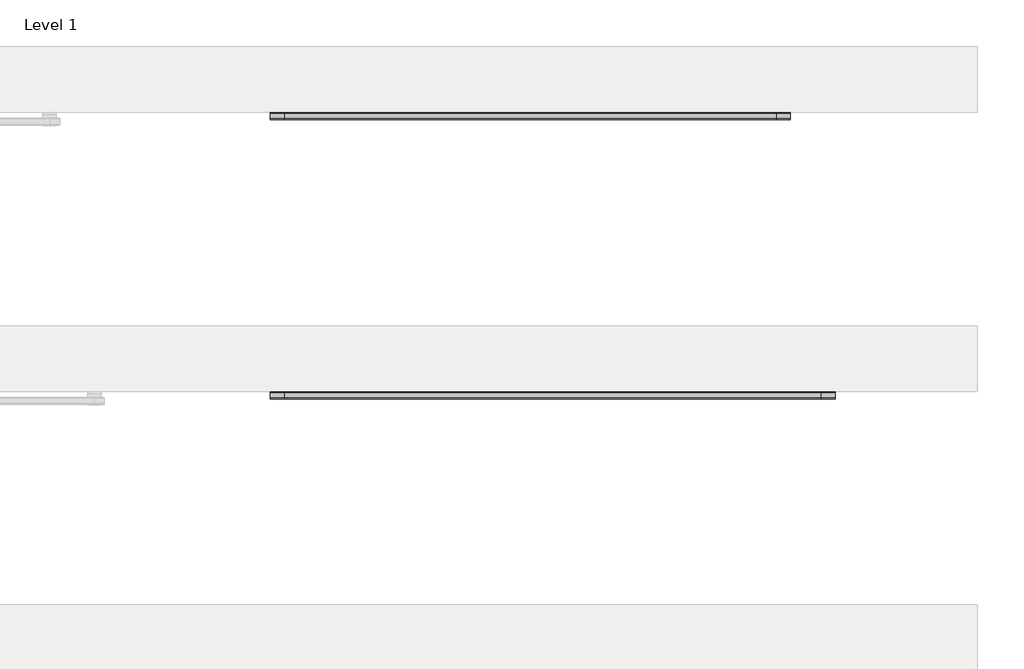
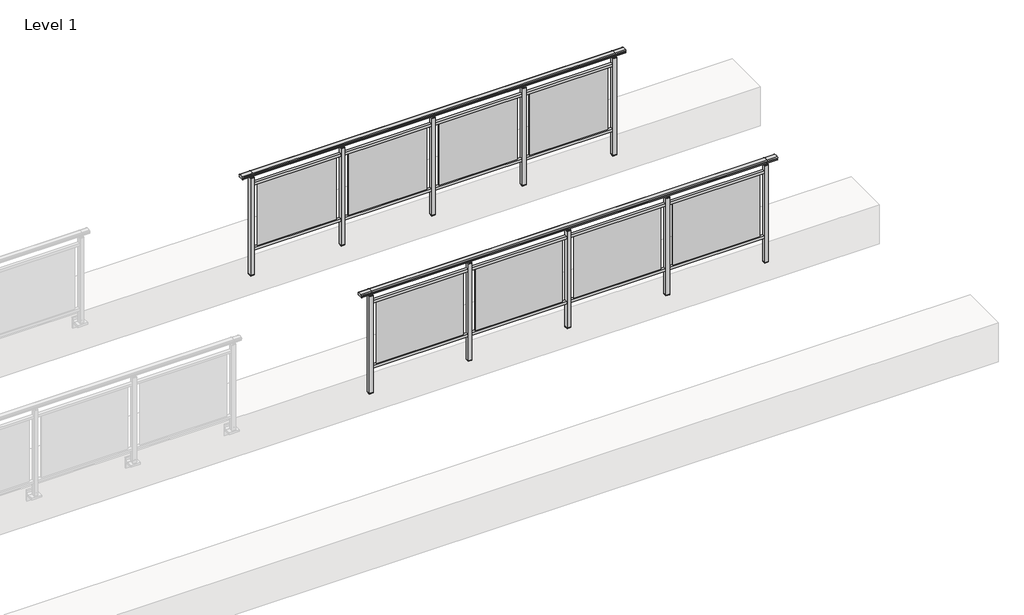
# One storey, part 43 of 64: 2 railings.
"""IFC4 building model written with IfcOpenShell, lengths in millimetres."""

from ifc_helpers import new_model, si_unit, frame, origin, place, context, project, spatial, polyline, circle_curve, outline, extrude, element, save
from ifc_brep_helpers import plane_surface, cylinder_surface, revolved_surface, advanced_brep

model = new_model("IFC4")

# Units and contexts
model_context = context("Model", 3, world=origin())
ifc_project = project(units=[si_unit("LENGTHUNIT", "METRE", prefix="MILLI")], contexts=[model_context])

# Site, building, storey
site = spatial("IfcSite", under=ifc_project)
building = spatial("IfcBuilding", under=site)
storey = spatial("IfcBuildingStorey", under=building, Name="Level 1", Elevation=0.0)

# Railings
placement = place(None, origin())
element("IfcRailing", 1, at=placement, inside=storey, context=model_context, shape_type="SolidModel", body=[
    advanced_brep(
    [(49372.5, 2392.8633756, 1095.6691182), (49372.5, 2397.6846828, 1081.1334092), (49372.5, 2396.7413744, 1069.2539035), (49372.5, 2398.6364177, 1061.4863007), (49372.5, 2396.9894799, 1060.384124), (49372.5, 2396.9894799, 1062.0), (49372.5, 2338.3798858, 1062.0), (49372.5, 2338.3798858, 1060.384124), (49372.5, 2336.732948, 1061.4863007), (49372.5, 2338.6279912, 1069.2539035), (49372.5, 2337.6846828, 1081.1334092), (49372.5, 2342.50599, 1095.6691182), (54427.5, 2392.8633756, 1095.6691182), (54427.5, 2342.50599, 1095.6691182), (54427.5, 2337.6846828, 1081.1334092), (54427.5, 2338.6279912, 1069.2539035), (54427.5, 2336.732948, 1061.4863007), (54427.5, 2338.3798858, 1060.384124), (54427.5, 2338.3798858, 1062.0), (54427.5, 2396.9894799, 1062.0), (54427.5, 2396.9894799, 1060.384124), (54427.5, 2398.6364177, 1061.4863007), (54427.5, 2396.7413744, 1069.2539035), (54427.5, 2397.6846828, 1081.1334092), (49500.0, 2392.8633756, 1095.6691182), (49500.0, 2397.6846828, 1081.1334092), (49500.0, 2396.7413744, 1069.2539035), (49500.0, 2398.6364177, 1061.4863007), (49500.0, 2396.9894799, 1060.384124), (49500.0, 2396.9894799, 1062.0), (49500.0, 2338.3798858, 1062.0), (49500.0, 2338.3798858, 1060.384124), (49500.0, 2336.732948, 1061.4863007), (49500.0, 2338.6279912, 1069.2539035), (49500.0, 2337.6846828, 1081.1334092), (49500.0, 2342.50599, 1095.6691182), (54300.0, 2392.8633756, 1095.6691182), (54300.0, 2397.6846828, 1081.1334092), (54300.0, 2396.7413744, 1069.2539035), (54300.0, 2398.6364177, 1061.4863007), (54300.0, 2396.9894799, 1060.384124), (54300.0, 2396.9894799, 1062.0), (54300.0, 2338.3798858, 1062.0), (54300.0, 2338.3798858, 1060.384124), (54300.0, 2336.732948, 1061.4863007), (54300.0, 2338.6279912, 1069.2539035), (54300.0, 2337.6846828, 1081.1334092), (54300.0, 2342.50599, 1095.6691182)],
    [
        (0, 1, circle_curve(frame((49372.5, 2389.6223845, 1086.526686), z_axis=(-1.0, 0.0, 0.0), x_axis=(0.0, -1.0, 0.0)), 9.6999015)),
        (1, 2, circle_curve(frame((49372.5, 2415.2252545, 1073.7633709), z_axis=(1.0, 0.0, 0.0), x_axis=(0.0, -1.0, 0.0)), 19.0260117)),
        (2, 3),
        (3, 4, circle_curve(frame((49372.5, 2397.7772073, 1060.9886194), z_axis=(-1.0, 0.0, 0.0), x_axis=(0.0, -1.0, 0.0)), 0.9929396)),
        (4, 5),
        (5, 6),
        (6, 7),
        (7, 8, circle_curve(frame((49372.5, 2337.5921584, 1060.9886194), z_axis=(-1.0, 0.0, 0.0), x_axis=(0.0, 1.0, 0.0)), 0.9929396)),
        (8, 9),
        (9, 10, circle_curve(frame((49372.5, 2320.1441111, 1073.7633709), z_axis=(1.0, 0.0, 0.0), x_axis=(0.0, 1.0, 0.0)), 19.0260117)),
        (10, 11, circle_curve(frame((49372.5, 2345.7469812, 1086.526686), z_axis=(-1.0, 0.0, 0.0), x_axis=(0.0, 1.0, 0.0)), 9.6999015)),
        (11, 0, circle_curve(frame((49372.5, 2367.6846828, 1024.6431628), z_axis=(-1.0, 0.0, 0.0), x_axis=(0.0, 1.0, 0.0)), 75.3568372)),
        (12, 13, circle_curve(frame((54427.5, 2367.6846828, 1024.6431628), z_axis=(1.0, 0.0, 0.0), x_axis=(0.0, 1.0, 0.0)), 75.3568372)),
        (13, 14, circle_curve(frame((54427.5, 2345.7469812, 1086.526686), z_axis=(1.0, 0.0, 0.0), x_axis=(0.0, 1.0, 0.0)), 9.6999015)),
        (14, 15, circle_curve(frame((54427.5, 2320.1441111, 1073.7633709), z_axis=(-1.0, 0.0, 0.0), x_axis=(0.0, 1.0, 0.0)), 19.0260117)),
        (15, 16),
        (16, 17, circle_curve(frame((54427.5, 2337.5921584, 1060.9886194), z_axis=(1.0, 0.0, 0.0), x_axis=(0.0, 1.0, 0.0)), 0.9929396)),
        (17, 18),
        (18, 19),
        (19, 20),
        (20, 21, circle_curve(frame((54427.5, 2397.7772073, 1060.9886194), z_axis=(1.0, 0.0, 0.0), x_axis=(0.0, -1.0, 0.0)), 0.9929396)),
        (21, 22),
        (22, 23, circle_curve(frame((54427.5, 2415.2252545, 1073.7633709), z_axis=(-1.0, 0.0, 0.0), x_axis=(0.0, -1.0, 0.0)), 19.0260117)),
        (23, 12, circle_curve(frame((54427.5, 2389.6223845, 1086.526686), z_axis=(1.0, 0.0, 0.0), x_axis=(0.0, -1.0, 0.0)), 9.6999015)),
        (0, 24),
        (24, 25, circle_curve(frame((49500.0, 2389.6223845, 1086.526686), z_axis=(-1.0, 0.0, 0.0), x_axis=(0.0, -1.0, 0.0)), 9.6999015)),
        (25, 1),
        (25, 26, circle_curve(frame((49500.0, 2415.2252545, 1073.7633709), z_axis=(1.0, 0.0, 0.0), x_axis=(0.0, -1.0, 0.0)), 19.0260117)),
        (26, 2),
        (26, 27),
        (27, 3),
        (27, 28, circle_curve(frame((49500.0, 2397.7772073, 1060.9886194), z_axis=(-1.0, 0.0, 0.0), x_axis=(0.0, -1.0, 0.0)), 0.9929396)),
        (28, 4),
        (28, 29),
        (29, 5),
        (29, 30),
        (30, 6),
        (30, 31),
        (31, 7),
        (31, 32, circle_curve(frame((49500.0, 2337.5921584, 1060.9886194), z_axis=(-1.0, 0.0, 0.0), x_axis=(0.0, 1.0, 0.0)), 0.9929396)),
        (32, 8),
        (32, 33),
        (33, 9),
        (33, 34, circle_curve(frame((49500.0, 2320.1441111, 1073.7633709), z_axis=(1.0, 0.0, 0.0), x_axis=(0.0, 1.0, 0.0)), 19.0260117)),
        (34, 10),
        (34, 35, circle_curve(frame((49500.0, 2345.7469812, 1086.526686), z_axis=(-1.0, 0.0, 0.0), x_axis=(0.0, 1.0, 0.0)), 9.6999015)),
        (35, 11),
        (35, 24, circle_curve(frame((49500.0, 2367.6846828, 1024.6431628), z_axis=(-1.0, 0.0, 0.0), x_axis=(0.0, 1.0, 0.0)), 75.3568372)),
        (24, 36),
        (36, 37, circle_curve(frame((54300.0, 2389.6223845, 1086.526686), z_axis=(-1.0, 0.0, 0.0), x_axis=(0.0, -1.0, 0.0)), 9.6999015)),
        (37, 25),
        (37, 38, circle_curve(frame((54300.0, 2415.2252545, 1073.7633709), z_axis=(1.0, 0.0, 0.0), x_axis=(0.0, -1.0, 0.0)), 19.0260117)),
        (38, 26),
        (38, 39),
        (39, 27),
        (39, 40, circle_curve(frame((54300.0, 2397.7772073, 1060.9886194), z_axis=(-1.0, 0.0, 0.0), x_axis=(0.0, -1.0, 0.0)), 0.9929396)),
        (40, 28),
        (40, 41),
        (41, 29),
        (41, 42),
        (42, 30),
        (42, 43),
        (43, 31),
        (43, 44, circle_curve(frame((54300.0, 2337.5921584, 1060.9886194), z_axis=(-1.0, 0.0, 0.0), x_axis=(0.0, 1.0, 0.0)), 0.9929396)),
        (44, 32),
        (44, 45),
        (45, 33),
        (45, 46, circle_curve(frame((54300.0, 2320.1441111, 1073.7633709), z_axis=(1.0, 0.0, 0.0), x_axis=(0.0, 1.0, 0.0)), 19.0260117)),
        (46, 34),
        (46, 47, circle_curve(frame((54300.0, 2345.7469812, 1086.526686), z_axis=(-1.0, 0.0, 0.0), x_axis=(0.0, 1.0, 0.0)), 9.6999015)),
        (47, 35),
        (47, 36, circle_curve(frame((54300.0, 2367.6846828, 1024.6431628), z_axis=(-1.0, 0.0, 0.0), x_axis=(0.0, 1.0, 0.0)), 75.3568372)),
        (36, 12),
        (23, 37),
        (22, 38),
        (21, 39),
        (20, 40),
        (19, 41),
        (18, 42),
        (17, 43),
        (16, 44),
        (15, 45),
        (14, 46),
        (13, 47),
    ],
    [
        plane_surface(frame((49372.5, 2367.6846828, 1100.0), z_axis=(-1.0, 0.0, 0.0), x_axis=(0.0, 1.0, 0.0))),
        plane_surface(frame((54427.5, 2367.6846828, 1100.0), z_axis=(1.0, 0.0, 0.0), x_axis=(0.0, 1.0, 0.0))),
        cylinder_surface(frame((49372.5, 2389.6223845, 1086.526686), z_axis=(-1.0, 0.0, 0.0), x_axis=(0.0, -1.0, 0.0)), 9.6999015),
        revolved_surface(polyline([(49500.0, 2396.1992428000003, 1073.7633709), (49372.5, 2396.1992428000003, 1073.7633709)]), (49372.5, 2415.2252545, 1073.7633709), (1.0, 0.0, 0.0)),
        plane_surface(frame((49372.5, 2396.7413744, 1069.2539035), z_axis=(0.0, 0.9715057689301543, 0.2370159086125439), x_axis=(1.0, 0.0, 0.0))),
        cylinder_surface(frame((49372.5, 2397.7772073, 1060.9886194), z_axis=(-1.0, 0.0, 0.0), x_axis=(0.0, -1.0, 0.0)), 0.9929396),
        plane_surface(frame((49372.5, 2396.9894799, 1060.384124), z_axis=(0.0, -1.0, 0.0), x_axis=(1.0, 0.0, 0.0))),
        plane_surface(frame((49372.5, 2396.9894799, 1062.0), z_axis=(0.0, 0.0, -1.0), x_axis=(1.0, 0.0, 0.0))),
        plane_surface(frame((49372.5, 2338.3798858, 1062.0), z_axis=(0.0, 1.0, 0.0), x_axis=(1.0, 0.0, 0.0))),
        cylinder_surface(frame((49372.5, 2337.5921584, 1060.9886194), z_axis=(-1.0, 0.0, 0.0), x_axis=(0.0, 1.0, 0.0)), 0.9929396),
        plane_surface(frame((49372.5, 2336.732948, 1061.4863007), z_axis=(0.0, -0.9715057689301543, 0.2370159086125439), x_axis=(1.0, 0.0, 0.0))),
        revolved_surface(polyline([(49500.0, 2339.1701227999997, 1073.7633709), (49372.5, 2339.1701227999997, 1073.7633709)]), (49372.5, 2320.1441111, 1073.7633709), (1.0, 0.0, 0.0)),
        cylinder_surface(frame((49372.5, 2345.7469812, 1086.526686), z_axis=(-1.0, 0.0, 0.0), x_axis=(0.0, 1.0, 0.0)), 9.6999015),
        cylinder_surface(frame((49372.5, 2367.6846828, 1024.6431628), z_axis=(-1.0, 0.0, 0.0), x_axis=(0.0, 1.0, 0.0)), 75.3568372),
        cylinder_surface(frame((49500.0, 2389.6223845, 1086.526686), z_axis=(-1.0, 0.0, 0.0), x_axis=(0.0, -1.0, 0.0)), 9.6999015),
        revolved_surface(polyline([(54300.0, 2396.1992428000003, 1073.7633709), (49500.0, 2396.1992428000003, 1073.7633709)]), (49500.0, 2415.2252545, 1073.7633709), (1.0, 0.0, 0.0)),
        plane_surface(frame((49500.0, 2396.7413744, 1069.2539035), z_axis=(0.0, 0.9715057689301543, 0.2370159086125439), x_axis=(1.0, 0.0, 0.0))),
        cylinder_surface(frame((49500.0, 2397.7772073, 1060.9886194), z_axis=(-1.0, 0.0, 0.0), x_axis=(0.0, -1.0, 0.0)), 0.9929396),
        plane_surface(frame((49500.0, 2396.9894799, 1060.384124), z_axis=(0.0, -1.0, 0.0), x_axis=(1.0, 0.0, 0.0))),
        plane_surface(frame((49500.0, 2396.9894799, 1062.0), z_axis=(0.0, 0.0, -1.0), x_axis=(1.0, 0.0, 0.0))),
        plane_surface(frame((49500.0, 2338.3798858, 1062.0), z_axis=(0.0, 1.0, 0.0), x_axis=(1.0, 0.0, 0.0))),
        cylinder_surface(frame((49500.0, 2337.5921584, 1060.9886194), z_axis=(-1.0, 0.0, 0.0), x_axis=(0.0, 1.0, 0.0)), 0.9929396),
        plane_surface(frame((49500.0, 2336.732948, 1061.4863007), z_axis=(0.0, -0.9715057689301543, 0.2370159086125439), x_axis=(1.0, 0.0, 0.0))),
        revolved_surface(polyline([(54300.0, 2339.1701227999997, 1073.7633709), (49500.0, 2339.1701227999997, 1073.7633709)]), (49500.0, 2320.1441111, 1073.7633709), (1.0, 0.0, 0.0)),
        cylinder_surface(frame((49500.0, 2345.7469812, 1086.526686), z_axis=(-1.0, 0.0, 0.0), x_axis=(0.0, 1.0, 0.0)), 9.6999015),
        cylinder_surface(frame((49500.0, 2367.6846828, 1024.6431628), z_axis=(-1.0, 0.0, 0.0), x_axis=(0.0, 1.0, 0.0)), 75.3568372),
        cylinder_surface(frame((54300.0, 2389.6223845, 1086.526686), z_axis=(-1.0, 0.0, 0.0), x_axis=(0.0, -1.0, 0.0)), 9.6999015),
        revolved_surface(polyline([(54427.5, 2396.1992428000003, 1073.7633709), (54300.0, 2396.1992428000003, 1073.7633709)]), (54300.0, 2415.2252545, 1073.7633709), (1.0, 0.0, 0.0)),
        plane_surface(frame((54300.0, 2396.7413744, 1069.2539035), z_axis=(0.0, 0.9715057689301543, 0.2370159086125439), x_axis=(1.0, 0.0, 0.0))),
        cylinder_surface(frame((54300.0, 2397.7772073, 1060.9886194), z_axis=(-1.0, 0.0, 0.0), x_axis=(0.0, -1.0, 0.0)), 0.9929396),
        plane_surface(frame((54300.0, 2396.9894799, 1060.384124), z_axis=(0.0, -1.0, 0.0), x_axis=(1.0, 0.0, 0.0))),
        plane_surface(frame((54300.0, 2396.9894799, 1062.0), z_axis=(0.0, 0.0, -1.0), x_axis=(1.0, 0.0, 0.0))),
        plane_surface(frame((54300.0, 2338.3798858, 1062.0), z_axis=(0.0, 1.0, 0.0), x_axis=(1.0, 0.0, 0.0))),
        cylinder_surface(frame((54300.0, 2337.5921584, 1060.9886194), z_axis=(-1.0, 0.0, 0.0), x_axis=(0.0, 1.0, 0.0)), 0.9929396),
        plane_surface(frame((54300.0, 2336.732948, 1061.4863007), z_axis=(0.0, -0.9715057689301543, 0.2370159086125439), x_axis=(1.0, 0.0, 0.0))),
        revolved_surface(polyline([(54427.5, 2339.1701227999997, 1073.7633709), (54300.0, 2339.1701227999997, 1073.7633709)]), (54300.0, 2320.1441111, 1073.7633709), (1.0, 0.0, 0.0)),
        cylinder_surface(frame((54300.0, 2345.7469812, 1086.526686), z_axis=(-1.0, 0.0, 0.0), x_axis=(0.0, 1.0, 0.0)), 9.6999015),
        cylinder_surface(frame((54300.0, 2367.6846828, 1024.6431628), z_axis=(-1.0, 0.0, 0.0), x_axis=(0.0, 1.0, 0.0)), 75.3568372),
    ],
    [
        (0, [[1, 2, 3, 4, 5, 6, 7, 8, 9, 10, 11, 12]]),
        (1, [[13, 14, 15, 16, 17, 18, 19, 20, 21, 22, 23, 24]]),
        (2, [[-1, 25, 26, 27]]),
        (3, [[-2, -27, 28, 29]]),
        (4, [[-3, -29, 30, 31]]),
        (5, [[-4, -31, 32, 33]]),
        (6, [[-5, -33, 34, 35]]),
        (7, [[-6, -35, 36, 37]]),
        (8, [[-7, -37, 38, 39]]),
        (9, [[-8, -39, 40, 41]]),
        (10, [[-9, -41, 42, 43]]),
        (11, [[-10, -43, 44, 45]]),
        (12, [[-11, -45, 46, 47]]),
        (13, [[-12, -47, 48, -25]]),
        (14, [[-26, 49, 50, 51]]),
        (15, [[-28, -51, 52, 53]]),
        (16, [[-30, -53, 54, 55]]),
        (17, [[-32, -55, 56, 57]]),
        (18, [[-34, -57, 58, 59]]),
        (19, [[-36, -59, 60, 61]]),
        (20, [[-38, -61, 62, 63]]),
        (21, [[-40, -63, 64, 65]]),
        (22, [[-42, -65, 66, 67]]),
        (23, [[-44, -67, 68, 69]]),
        (24, [[-46, -69, 70, 71]]),
        (25, [[-48, -71, 72, -49]]),
        (26, [[-50, 73, -24, 74]]),
        (27, [[-52, -74, -23, 75]]),
        (28, [[-54, -75, -22, 76]]),
        (29, [[-56, -76, -21, 77]]),
        (30, [[-58, -77, -20, 78]]),
        (31, [[-60, -78, -19, 79]]),
        (32, [[-62, -79, -18, 80]]),
        (33, [[-64, -80, -17, 81]]),
        (34, [[-66, -81, -16, 82]]),
        (35, [[-68, -82, -15, 83]]),
        (36, [[-70, -83, -14, 84]]),
        (37, [[-72, -84, -13, -73]]),
    ],
),
    extrude(outline(polyline([(49500.0, 2350.1846828), (49500.0, 2385.1846828), (54300.0, 2385.1846828), (54300.0, 2350.1846828), (49500.0, 2350.1846828)])), frame((0.0, 0.0, 930.0), z_axis=(0.0, 0.0, 1.0), x_axis=(1.0, 0.0, 0.0)), (0.0, 0.0, 1.0), 30.0),
    extrude(outline(polyline([(49500.0, 2350.1846828), (49500.0, 2385.1846828), (54300.0, 2385.1846828), (54300.0, 2350.1846828), (49500.0, 2350.1846828)])), frame((0.0, 0.0, 95.0), z_axis=(0.0, 0.0, 1.0), x_axis=(1.0, 0.0, 0.0)), (0.0, 0.0, 1.0), 30.0),
    extrude(outline(polyline([(53172.5, 2365.9094929), (53172.5, 2371.9094929), (54227.5, 2371.9094929), (54227.5, 2365.9094929), (53172.5, 2365.9094929)])), frame((0.0, 0.0, 125.0), z_axis=(0.0, 0.0, 1.0), x_axis=(1.0, 0.0, 0.0)), (0.0, 0.0, 1.0), 805.0),
    extrude(outline(polyline([(53122.5, 2390.1846828), (53122.5, 2345.1846828), (53077.5, 2345.1846828), (53077.5, 2390.1846828), (53122.5, 2390.1846828)])), frame((0.0, 0.0, 1027.0), z_axis=(0.0, 0.0, 1.0), x_axis=(1.0, 0.0, 0.0)), (0.0, 0.0, 1.0), 8.0),
    extrude(outline(polyline([(53122.5, 2390.1846828), (53122.5, 2345.1846828), (53077.5, 2345.1846828), (53077.5, 2390.1846828), (53122.5, 2390.1846828)])), frame((0.0, 0.0, -212.0), z_axis=(0.0, 0.0, 1.0), x_axis=(1.0, 0.0, 0.0)), (0.0, 0.0, 1.0), 1239.0),
    extrude(outline(polyline([(53110.0, 2377.6846828), (53110.0, 2357.6846828), (53090.0, 2357.6846828), (53090.0, 2377.6846828), (53110.0, 2377.6846828)])), frame((0.0, 0.0, 1035.0), z_axis=(0.0, 0.0, 1.0), x_axis=(1.0, 0.0, 0.0)), (0.0, 0.0, 1.0), 20.0),
    extrude(outline(polyline([(53122.5, 2390.1846828), (53122.5, 2345.1846828), (53077.5, 2345.1846828), (53077.5, 2390.1846828), (53122.5, 2390.1846828)])), frame((0.0, 0.0, -220.0), z_axis=(0.0, 0.0, 1.0), x_axis=(1.0, 0.0, 0.0)), (0.0, 0.0, 1.0), 8.0),
    extrude(outline(polyline([(51972.5, 2365.9094929), (51972.5, 2371.9094929), (53027.5, 2371.9094929), (53027.5, 2365.9094929), (51972.5, 2365.9094929)])), frame((0.0, 0.0, 125.0), z_axis=(0.0, 0.0, 1.0), x_axis=(1.0, 0.0, 0.0)), (0.0, 0.0, 1.0), 805.0),
    extrude(outline(polyline([(51922.5, 2390.1846828), (51922.5, 2345.1846828), (51877.5, 2345.1846828), (51877.5, 2390.1846828), (51922.5, 2390.1846828)])), frame((0.0, 0.0, 1027.0), z_axis=(0.0, 0.0, 1.0), x_axis=(1.0, 0.0, 0.0)), (0.0, 0.0, 1.0), 8.0),
    extrude(outline(polyline([(51922.5, 2390.1846828), (51922.5, 2345.1846828), (51877.5, 2345.1846828), (51877.5, 2390.1846828), (51922.5, 2390.1846828)])), frame((0.0, 0.0, -212.0), z_axis=(0.0, 0.0, 1.0), x_axis=(1.0, 0.0, 0.0)), (0.0, 0.0, 1.0), 1239.0),
    extrude(outline(polyline([(51910.0, 2377.6846828), (51910.0, 2357.6846828), (51890.0, 2357.6846828), (51890.0, 2377.6846828), (51910.0, 2377.6846828)])), frame((0.0, 0.0, 1035.0), z_axis=(0.0, 0.0, 1.0), x_axis=(1.0, 0.0, 0.0)), (0.0, 0.0, 1.0), 20.0),
    extrude(outline(polyline([(51922.5, 2390.1846828), (51922.5, 2345.1846828), (51877.5, 2345.1846828), (51877.5, 2390.1846828), (51922.5, 2390.1846828)])), frame((0.0, 0.0, -220.0), z_axis=(0.0, 0.0, 1.0), x_axis=(1.0, 0.0, 0.0)), (0.0, 0.0, 1.0), 8.0),
    extrude(outline(polyline([(50772.5, 2365.9094929), (50772.5, 2371.9094929), (51827.5, 2371.9094929), (51827.5, 2365.9094929), (50772.5, 2365.9094929)])), frame((0.0, 0.0, 125.0), z_axis=(0.0, 0.0, 1.0), x_axis=(1.0, 0.0, 0.0)), (0.0, 0.0, 1.0), 805.0),
    extrude(outline(polyline([(50722.5, 2390.1846828), (50722.5, 2345.1846828), (50677.5, 2345.1846828), (50677.5, 2390.1846828), (50722.5, 2390.1846828)])), frame((0.0, 0.0, 1027.0), z_axis=(0.0, 0.0, 1.0), x_axis=(1.0, 0.0, 0.0)), (0.0, 0.0, 1.0), 8.0),
    extrude(outline(polyline([(50722.5, 2390.1846828), (50722.5, 2345.1846828), (50677.5, 2345.1846828), (50677.5, 2390.1846828), (50722.5, 2390.1846828)])), frame((0.0, 0.0, -212.0), z_axis=(0.0, 0.0, 1.0), x_axis=(1.0, 0.0, 0.0)), (0.0, 0.0, 1.0), 1239.0),
    extrude(outline(polyline([(50710.0, 2377.6846828), (50710.0, 2357.6846828), (50690.0, 2357.6846828), (50690.0, 2377.6846828), (50710.0, 2377.6846828)])), frame((0.0, 0.0, 1035.0), z_axis=(0.0, 0.0, 1.0), x_axis=(1.0, 0.0, 0.0)), (0.0, 0.0, 1.0), 20.0),
    extrude(outline(polyline([(50722.5, 2390.1846828), (50722.5, 2345.1846828), (50677.5, 2345.1846828), (50677.5, 2390.1846828), (50722.5, 2390.1846828)])), frame((0.0, 0.0, -220.0), z_axis=(0.0, 0.0, 1.0), x_axis=(1.0, 0.0, 0.0)), (0.0, 0.0, 1.0), 8.0),
    extrude(outline(polyline([(49572.5, 2365.9094929), (49572.5, 2371.9094929), (50627.5, 2371.9094929), (50627.5, 2365.9094929), (49572.5, 2365.9094929)])), frame((0.0, 0.0, 125.0), z_axis=(0.0, 0.0, 1.0), x_axis=(1.0, 0.0, 0.0)), (0.0, 0.0, 1.0), 805.0),
    extrude(outline(polyline([(54322.5, 2390.1846828), (54322.5, 2345.1846828), (54277.5, 2345.1846828), (54277.5, 2390.1846828), (54322.5, 2390.1846828)])), frame((0.0, 0.0, 1027.0), z_axis=(0.0, 0.0, 1.0), x_axis=(1.0, 0.0, 0.0)), (0.0, 0.0, 1.0), 8.0),
    extrude(outline(polyline([(54322.5, 2390.1846828), (54322.5, 2345.1846828), (54277.5, 2345.1846828), (54277.5, 2390.1846828), (54322.5, 2390.1846828)])), frame((0.0, 0.0, -212.0), z_axis=(0.0, 0.0, 1.0), x_axis=(1.0, 0.0, 0.0)), (0.0, 0.0, 1.0), 1239.0),
    extrude(outline(polyline([(54310.0, 2377.6846828), (54310.0, 2357.6846828), (54290.0, 2357.6846828), (54290.0, 2377.6846828), (54310.0, 2377.6846828)])), frame((0.0, 0.0, 1035.0), z_axis=(0.0, 0.0, 1.0), x_axis=(1.0, 0.0, 0.0)), (0.0, 0.0, 1.0), 20.0),
    extrude(outline(polyline([(54322.5, 2390.1846828), (54322.5, 2345.1846828), (54277.5, 2345.1846828), (54277.5, 2390.1846828), (54322.5, 2390.1846828)])), frame((0.0, 0.0, -220.0), z_axis=(0.0, 0.0, 1.0), x_axis=(1.0, 0.0, 0.0)), (0.0, 0.0, 1.0), 8.0),
    extrude(outline(polyline([(49522.5, 2390.1846828), (49522.5, 2345.1846828), (49477.5, 2345.1846828), (49477.5, 2390.1846828), (49522.5, 2390.1846828)])), frame((0.0, 0.0, 1027.0), z_axis=(0.0, 0.0, 1.0), x_axis=(1.0, 0.0, 0.0)), (0.0, 0.0, 1.0), 8.0),
    extrude(outline(polyline([(49522.5, 2390.1846828), (49522.5, 2345.1846828), (49477.5, 2345.1846828), (49477.5, 2390.1846828), (49522.5, 2390.1846828)])), frame((0.0, 0.0, -212.0), z_axis=(0.0, 0.0, 1.0), x_axis=(1.0, 0.0, 0.0)), (0.0, 0.0, 1.0), 1239.0),
    extrude(outline(polyline([(49510.0, 2377.6846828), (49510.0, 2357.6846828), (49490.0, 2357.6846828), (49490.0, 2377.6846828), (49510.0, 2377.6846828)])), frame((0.0, 0.0, 1035.0), z_axis=(0.0, 0.0, 1.0), x_axis=(1.0, 0.0, 0.0)), (0.0, 0.0, 1.0), 20.0),
    extrude(outline(polyline([(49522.5, 2390.1846828), (49522.5, 2345.1846828), (49477.5, 2345.1846828), (49477.5, 2390.1846828), (49522.5, 2390.1846828)])), frame((0.0, 0.0, -220.0), z_axis=(0.0, 0.0, 1.0), x_axis=(1.0, 0.0, 0.0)), (0.0, 0.0, 1.0), 8.0),
])
element("IfcRailing", 2, at=placement, inside=storey, context=model_context, shape_type="SolidModel", body=[
    advanced_brep(
    [(49372.5, 4892.8633756, 1095.6691182), (49372.5, 4897.6846828, 1081.1334092), (49372.5, 4896.7413744, 1069.2539035), (49372.5, 4898.6364177, 1061.4863007), (49372.5, 4896.9894799, 1060.384124), (49372.5, 4896.9894799, 1062.0), (49372.5, 4838.3798858, 1062.0), (49372.5, 4838.3798858, 1060.384124), (49372.5, 4836.732948, 1061.4863007), (49372.5, 4838.6279912, 1069.2539035), (49372.5, 4837.6846828, 1081.1334092), (49372.5, 4842.50599, 1095.6691182), (54027.5, 4892.8633756, 1095.6691182), (54027.5, 4842.50599, 1095.6691182), (54027.5, 4837.6846828, 1081.1334092), (54027.5, 4838.6279912, 1069.2539035), (54027.5, 4836.732948, 1061.4863007), (54027.5, 4838.3798858, 1060.384124), (54027.5, 4838.3798858, 1062.0), (54027.5, 4896.9894799, 1062.0), (54027.5, 4896.9894799, 1060.384124), (54027.5, 4898.6364177, 1061.4863007), (54027.5, 4896.7413744, 1069.2539035), (54027.5, 4897.6846828, 1081.1334092), (49500.0, 4892.8633756, 1095.6691182), (49500.0, 4897.6846828, 1081.1334092), (49500.0, 4896.7413744, 1069.2539035), (49500.0, 4898.6364177, 1061.4863007), (49500.0, 4896.9894799, 1060.384124), (49500.0, 4896.9894799, 1062.0), (49500.0, 4838.3798858, 1062.0), (49500.0, 4838.3798858, 1060.384124), (49500.0, 4836.732948, 1061.4863007), (49500.0, 4838.6279912, 1069.2539035), (49500.0, 4837.6846828, 1081.1334092), (49500.0, 4842.50599, 1095.6691182), (53900.0, 4892.8633756, 1095.6691182), (53900.0, 4897.6846828, 1081.1334092), (53900.0, 4896.7413744, 1069.2539035), (53900.0, 4898.6364177, 1061.4863007), (53900.0, 4896.9894799, 1060.384124), (53900.0, 4896.9894799, 1062.0), (53900.0, 4838.3798858, 1062.0), (53900.0, 4838.3798858, 1060.384124), (53900.0, 4836.732948, 1061.4863007), (53900.0, 4838.6279912, 1069.2539035), (53900.0, 4837.6846828, 1081.1334092), (53900.0, 4842.50599, 1095.6691182)],
    [
        (0, 1, circle_curve(frame((49372.5, 4889.6223845, 1086.526686), z_axis=(-1.0, 0.0, 0.0), x_axis=(0.0, -1.0, 0.0)), 9.6999015)),
        (1, 2, circle_curve(frame((49372.5, 4915.2252545, 1073.7633709), z_axis=(1.0, 0.0, 0.0), x_axis=(0.0, -1.0, 0.0)), 19.0260117)),
        (2, 3),
        (3, 4, circle_curve(frame((49372.5, 4897.7772073, 1060.9886194), z_axis=(-1.0, 0.0, 0.0), x_axis=(0.0, -1.0, 0.0)), 0.9929396)),
        (4, 5),
        (5, 6),
        (6, 7),
        (7, 8, circle_curve(frame((49372.5, 4837.5921584, 1060.9886194), z_axis=(-1.0, 0.0, 0.0), x_axis=(0.0, 1.0, 0.0)), 0.9929396)),
        (8, 9),
        (9, 10, circle_curve(frame((49372.5, 4820.1441111, 1073.7633709), z_axis=(1.0, 0.0, 0.0), x_axis=(0.0, 1.0, 0.0)), 19.0260117)),
        (10, 11, circle_curve(frame((49372.5, 4845.7469812, 1086.526686), z_axis=(-1.0, 0.0, 0.0), x_axis=(0.0, 1.0, 0.0)), 9.6999015)),
        (11, 0, circle_curve(frame((49372.5, 4867.6846828, 1024.6431628), z_axis=(-1.0, 0.0, 0.0), x_axis=(0.0, 1.0, 0.0)), 75.3568372)),
        (12, 13, circle_curve(frame((54027.5, 4867.6846828, 1024.6431628), z_axis=(1.0, 0.0, 0.0), x_axis=(0.0, 1.0, 0.0)), 75.3568372)),
        (13, 14, circle_curve(frame((54027.5, 4845.7469812, 1086.526686), z_axis=(1.0, 0.0, 0.0), x_axis=(0.0, 1.0, 0.0)), 9.6999015)),
        (14, 15, circle_curve(frame((54027.5, 4820.1441111, 1073.7633709), z_axis=(-1.0, 0.0, 0.0), x_axis=(0.0, 1.0, 0.0)), 19.0260117)),
        (15, 16),
        (16, 17, circle_curve(frame((54027.5, 4837.5921584, 1060.9886194), z_axis=(1.0, 0.0, 0.0), x_axis=(0.0, 1.0, 0.0)), 0.9929396)),
        (17, 18),
        (18, 19),
        (19, 20),
        (20, 21, circle_curve(frame((54027.5, 4897.7772073, 1060.9886194), z_axis=(1.0, 0.0, 0.0), x_axis=(0.0, -1.0, 0.0)), 0.9929396)),
        (21, 22),
        (22, 23, circle_curve(frame((54027.5, 4915.2252545, 1073.7633709), z_axis=(-1.0, 0.0, 0.0), x_axis=(0.0, -1.0, 0.0)), 19.0260117)),
        (23, 12, circle_curve(frame((54027.5, 4889.6223845, 1086.526686), z_axis=(1.0, 0.0, 0.0), x_axis=(0.0, -1.0, 0.0)), 9.6999015)),
        (0, 24),
        (24, 25, circle_curve(frame((49500.0, 4889.6223845, 1086.526686), z_axis=(-1.0, 0.0, 0.0), x_axis=(0.0, -1.0, 0.0)), 9.6999015)),
        (25, 1),
        (25, 26, circle_curve(frame((49500.0, 4915.2252545, 1073.7633709), z_axis=(1.0, 0.0, 0.0), x_axis=(0.0, -1.0, 0.0)), 19.0260117)),
        (26, 2),
        (26, 27),
        (27, 3),
        (27, 28, circle_curve(frame((49500.0, 4897.7772073, 1060.9886194), z_axis=(-1.0, 0.0, 0.0), x_axis=(0.0, -1.0, 0.0)), 0.9929396)),
        (28, 4),
        (28, 29),
        (29, 5),
        (29, 30),
        (30, 6),
        (30, 31),
        (31, 7),
        (31, 32, circle_curve(frame((49500.0, 4837.5921584, 1060.9886194), z_axis=(-1.0, 0.0, 0.0), x_axis=(0.0, 1.0, 0.0)), 0.9929396)),
        (32, 8),
        (32, 33),
        (33, 9),
        (33, 34, circle_curve(frame((49500.0, 4820.1441111, 1073.7633709), z_axis=(1.0, 0.0, 0.0), x_axis=(0.0, 1.0, 0.0)), 19.0260117)),
        (34, 10),
        (34, 35, circle_curve(frame((49500.0, 4845.7469812, 1086.526686), z_axis=(-1.0, 0.0, 0.0), x_axis=(0.0, 1.0, 0.0)), 9.6999015)),
        (35, 11),
        (35, 24, circle_curve(frame((49500.0, 4867.6846828, 1024.6431628), z_axis=(-1.0, 0.0, 0.0), x_axis=(0.0, 1.0, 0.0)), 75.3568372)),
        (24, 36),
        (36, 37, circle_curve(frame((53900.0, 4889.6223845, 1086.526686), z_axis=(-1.0, 0.0, 0.0), x_axis=(0.0, -1.0, 0.0)), 9.6999015)),
        (37, 25),
        (37, 38, circle_curve(frame((53900.0, 4915.2252545, 1073.7633709), z_axis=(1.0, 0.0, 0.0), x_axis=(0.0, -1.0, 0.0)), 19.0260117)),
        (38, 26),
        (38, 39),
        (39, 27),
        (39, 40, circle_curve(frame((53900.0, 4897.7772073, 1060.9886194), z_axis=(-1.0, 0.0, 0.0), x_axis=(0.0, -1.0, 0.0)), 0.9929396)),
        (40, 28),
        (40, 41),
        (41, 29),
        (41, 42),
        (42, 30),
        (42, 43),
        (43, 31),
        (43, 44, circle_curve(frame((53900.0, 4837.5921584, 1060.9886194), z_axis=(-1.0, 0.0, 0.0), x_axis=(0.0, 1.0, 0.0)), 0.9929396)),
        (44, 32),
        (44, 45),
        (45, 33),
        (45, 46, circle_curve(frame((53900.0, 4820.1441111, 1073.7633709), z_axis=(1.0, 0.0, 0.0), x_axis=(0.0, 1.0, 0.0)), 19.0260117)),
        (46, 34),
        (46, 47, circle_curve(frame((53900.0, 4845.7469812, 1086.526686), z_axis=(-1.0, 0.0, 0.0), x_axis=(0.0, 1.0, 0.0)), 9.6999015)),
        (47, 35),
        (47, 36, circle_curve(frame((53900.0, 4867.6846828, 1024.6431628), z_axis=(-1.0, 0.0, 0.0), x_axis=(0.0, 1.0, 0.0)), 75.3568372)),
        (36, 12),
        (23, 37),
        (22, 38),
        (21, 39),
        (20, 40),
        (19, 41),
        (18, 42),
        (17, 43),
        (16, 44),
        (15, 45),
        (14, 46),
        (13, 47),
    ],
    [
        plane_surface(frame((49372.5, 4867.6846828, 1100.0), z_axis=(-1.0, 0.0, 0.0), x_axis=(0.0, 1.0, 0.0))),
        plane_surface(frame((54027.5, 4867.6846828, 1100.0), z_axis=(1.0, 0.0, 0.0), x_axis=(0.0, 1.0, 0.0))),
        cylinder_surface(frame((49372.5, 4889.6223845, 1086.526686), z_axis=(-1.0, 0.0, 0.0), x_axis=(0.0, -1.0, 0.0)), 9.6999015),
        revolved_surface(polyline([(49500.0, 4896.1992428, 1073.7633709), (49372.5, 4896.1992428, 1073.7633709)]), (49372.5, 4915.2252545, 1073.7633709), (1.0, 0.0, 0.0)),
        plane_surface(frame((49372.5, 4896.7413744, 1069.2539035), z_axis=(0.0, 0.9715057689301543, 0.2370159086125439), x_axis=(1.0, 0.0, 0.0))),
        cylinder_surface(frame((49372.5, 4897.7772073, 1060.9886194), z_axis=(-1.0, 0.0, 0.0), x_axis=(0.0, -1.0, 0.0)), 0.9929396),
        plane_surface(frame((49372.5, 4896.9894799, 1060.384124), z_axis=(0.0, -1.0, 0.0), x_axis=(1.0, 0.0, 0.0))),
        plane_surface(frame((49372.5, 4896.9894799, 1062.0), z_axis=(0.0, 0.0, -1.0), x_axis=(1.0, 0.0, 0.0))),
        plane_surface(frame((49372.5, 4838.3798858, 1062.0), z_axis=(0.0, 1.0, 0.0), x_axis=(1.0, 0.0, 0.0))),
        cylinder_surface(frame((49372.5, 4837.5921584, 1060.9886194), z_axis=(-1.0, 0.0, 0.0), x_axis=(0.0, 1.0, 0.0)), 0.9929396),
        plane_surface(frame((49372.5, 4836.732948, 1061.4863007), z_axis=(0.0, -0.9715057689301543, 0.2370159086125439), x_axis=(1.0, 0.0, 0.0))),
        revolved_surface(polyline([(49500.0, 4839.1701228, 1073.7633709), (49372.5, 4839.1701228, 1073.7633709)]), (49372.5, 4820.1441111, 1073.7633709), (1.0, 0.0, 0.0)),
        cylinder_surface(frame((49372.5, 4845.7469812, 1086.526686), z_axis=(-1.0, 0.0, 0.0), x_axis=(0.0, 1.0, 0.0)), 9.6999015),
        cylinder_surface(frame((49372.5, 4867.6846828, 1024.6431628), z_axis=(-1.0, 0.0, 0.0), x_axis=(0.0, 1.0, 0.0)), 75.3568372),
        cylinder_surface(frame((49500.0, 4889.6223845, 1086.526686), z_axis=(-1.0, 0.0, 0.0), x_axis=(0.0, -1.0, 0.0)), 9.6999015),
        revolved_surface(polyline([(53900.0, 4896.1992428, 1073.7633709), (49500.0, 4896.1992428, 1073.7633709)]), (49500.0, 4915.2252545, 1073.7633709), (1.0, 0.0, 0.0)),
        plane_surface(frame((49500.0, 4896.7413744, 1069.2539035), z_axis=(0.0, 0.9715057689301543, 0.2370159086125439), x_axis=(1.0, 0.0, 0.0))),
        cylinder_surface(frame((49500.0, 4897.7772073, 1060.9886194), z_axis=(-1.0, 0.0, 0.0), x_axis=(0.0, -1.0, 0.0)), 0.9929396),
        plane_surface(frame((49500.0, 4896.9894799, 1060.384124), z_axis=(0.0, -1.0, 0.0), x_axis=(1.0, 0.0, 0.0))),
        plane_surface(frame((49500.0, 4896.9894799, 1062.0), z_axis=(0.0, 0.0, -1.0), x_axis=(1.0, 0.0, 0.0))),
        plane_surface(frame((49500.0, 4838.3798858, 1062.0), z_axis=(0.0, 1.0, 0.0), x_axis=(1.0, 0.0, 0.0))),
        cylinder_surface(frame((49500.0, 4837.5921584, 1060.9886194), z_axis=(-1.0, 0.0, 0.0), x_axis=(0.0, 1.0, 0.0)), 0.9929396),
        plane_surface(frame((49500.0, 4836.732948, 1061.4863007), z_axis=(0.0, -0.9715057689301543, 0.2370159086125439), x_axis=(1.0, 0.0, 0.0))),
        revolved_surface(polyline([(53900.0, 4839.1701228, 1073.7633709), (49500.0, 4839.1701228, 1073.7633709)]), (49500.0, 4820.1441111, 1073.7633709), (1.0, 0.0, 0.0)),
        cylinder_surface(frame((49500.0, 4845.7469812, 1086.526686), z_axis=(-1.0, 0.0, 0.0), x_axis=(0.0, 1.0, 0.0)), 9.6999015),
        cylinder_surface(frame((49500.0, 4867.6846828, 1024.6431628), z_axis=(-1.0, 0.0, 0.0), x_axis=(0.0, 1.0, 0.0)), 75.3568372),
        cylinder_surface(frame((53900.0, 4889.6223845, 1086.526686), z_axis=(-1.0, 0.0, 0.0), x_axis=(0.0, -1.0, 0.0)), 9.6999015),
        revolved_surface(polyline([(54027.5, 4896.1992428, 1073.7633709), (53900.0, 4896.1992428, 1073.7633709)]), (53900.0, 4915.2252545, 1073.7633709), (1.0, 0.0, 0.0)),
        plane_surface(frame((53900.0, 4896.7413744, 1069.2539035), z_axis=(0.0, 0.9715057689301543, 0.2370159086125439), x_axis=(1.0, 0.0, 0.0))),
        cylinder_surface(frame((53900.0, 4897.7772073, 1060.9886194), z_axis=(-1.0, 0.0, 0.0), x_axis=(0.0, -1.0, 0.0)), 0.9929396),
        plane_surface(frame((53900.0, 4896.9894799, 1060.384124), z_axis=(0.0, -1.0, 0.0), x_axis=(1.0, 0.0, 0.0))),
        plane_surface(frame((53900.0, 4896.9894799, 1062.0), z_axis=(0.0, 0.0, -1.0), x_axis=(1.0, 0.0, 0.0))),
        plane_surface(frame((53900.0, 4838.3798858, 1062.0), z_axis=(0.0, 1.0, 0.0), x_axis=(1.0, 0.0, 0.0))),
        cylinder_surface(frame((53900.0, 4837.5921584, 1060.9886194), z_axis=(-1.0, 0.0, 0.0), x_axis=(0.0, 1.0, 0.0)), 0.9929396),
        plane_surface(frame((53900.0, 4836.732948, 1061.4863007), z_axis=(0.0, -0.9715057689301543, 0.2370159086125439), x_axis=(1.0, 0.0, 0.0))),
        revolved_surface(polyline([(54027.5, 4839.1701228, 1073.7633709), (53900.0, 4839.1701228, 1073.7633709)]), (53900.0, 4820.1441111, 1073.7633709), (1.0, 0.0, 0.0)),
        cylinder_surface(frame((53900.0, 4845.7469812, 1086.526686), z_axis=(-1.0, 0.0, 0.0), x_axis=(0.0, 1.0, 0.0)), 9.6999015),
        cylinder_surface(frame((53900.0, 4867.6846828, 1024.6431628), z_axis=(-1.0, 0.0, 0.0), x_axis=(0.0, 1.0, 0.0)), 75.3568372),
    ],
    [
        (0, [[1, 2, 3, 4, 5, 6, 7, 8, 9, 10, 11, 12]]),
        (1, [[13, 14, 15, 16, 17, 18, 19, 20, 21, 22, 23, 24]]),
        (2, [[-1, 25, 26, 27]]),
        (3, [[-2, -27, 28, 29]]),
        (4, [[-3, -29, 30, 31]]),
        (5, [[-4, -31, 32, 33]]),
        (6, [[-5, -33, 34, 35]]),
        (7, [[-6, -35, 36, 37]]),
        (8, [[-7, -37, 38, 39]]),
        (9, [[-8, -39, 40, 41]]),
        (10, [[-9, -41, 42, 43]]),
        (11, [[-10, -43, 44, 45]]),
        (12, [[-11, -45, 46, 47]]),
        (13, [[-12, -47, 48, -25]]),
        (14, [[-26, 49, 50, 51]]),
        (15, [[-28, -51, 52, 53]]),
        (16, [[-30, -53, 54, 55]]),
        (17, [[-32, -55, 56, 57]]),
        (18, [[-34, -57, 58, 59]]),
        (19, [[-36, -59, 60, 61]]),
        (20, [[-38, -61, 62, 63]]),
        (21, [[-40, -63, 64, 65]]),
        (22, [[-42, -65, 66, 67]]),
        (23, [[-44, -67, 68, 69]]),
        (24, [[-46, -69, 70, 71]]),
        (25, [[-48, -71, 72, -49]]),
        (26, [[-50, 73, -24, 74]]),
        (27, [[-52, -74, -23, 75]]),
        (28, [[-54, -75, -22, 76]]),
        (29, [[-56, -76, -21, 77]]),
        (30, [[-58, -77, -20, 78]]),
        (31, [[-60, -78, -19, 79]]),
        (32, [[-62, -79, -18, 80]]),
        (33, [[-64, -80, -17, 81]]),
        (34, [[-66, -81, -16, 82]]),
        (35, [[-68, -82, -15, 83]]),
        (36, [[-70, -83, -14, 84]]),
        (37, [[-72, -84, -13, -73]]),
    ],
),
    extrude(outline(polyline([(49500.0, 4850.1846828), (49500.0, 4885.1846828), (53900.0, 4885.1846828), (53900.0, 4850.1846828), (49500.0, 4850.1846828)])), frame((0.0, 0.0, 930.0), z_axis=(0.0, 0.0, 1.0), x_axis=(1.0, 0.0, 0.0)), (0.0, 0.0, 1.0), 30.0),
    extrude(outline(polyline([(49500.0, 4850.1846828), (49500.0, 4885.1846828), (53900.0, 4885.1846828), (53900.0, 4850.1846828), (49500.0, 4850.1846828)])), frame((0.0, 0.0, 95.0), z_axis=(0.0, 0.0, 1.0), x_axis=(1.0, 0.0, 0.0)), (0.0, 0.0, 1.0), 30.0),
    extrude(outline(polyline([(52872.5, 4865.9094929), (52872.5, 4871.9094929), (53827.5, 4871.9094929), (53827.5, 4865.9094929), (52872.5, 4865.9094929)])), frame((0.0, 0.0, 125.0), z_axis=(0.0, 0.0, 1.0), x_axis=(1.0, 0.0, 0.0)), (0.0, 0.0, 1.0), 805.0),
    extrude(outline(polyline([(52822.5, 4890.1846828), (52822.5, 4845.1846828), (52777.5, 4845.1846828), (52777.5, 4890.1846828), (52822.5, 4890.1846828)])), frame((0.0, 0.0, 1027.0), z_axis=(0.0, 0.0, 1.0), x_axis=(1.0, 0.0, 0.0)), (0.0, 0.0, 1.0), 8.0),
    extrude(outline(polyline([(52822.5, 4890.1846828), (52822.5, 4845.1846828), (52777.5, 4845.1846828), (52777.5, 4890.1846828), (52822.5, 4890.1846828)])), frame((0.0, 0.0, -212.0), z_axis=(0.0, 0.0, 1.0), x_axis=(1.0, 0.0, 0.0)), (0.0, 0.0, 1.0), 1239.0),
    extrude(outline(polyline([(52810.0, 4877.6846828), (52810.0, 4857.6846828), (52790.0, 4857.6846828), (52790.0, 4877.6846828), (52810.0, 4877.6846828)])), frame((0.0, 0.0, 1035.0), z_axis=(0.0, 0.0, 1.0), x_axis=(1.0, 0.0, 0.0)), (0.0, 0.0, 1.0), 20.0),
    extrude(outline(polyline([(52822.5, 4890.1846828), (52822.5, 4845.1846828), (52777.5, 4845.1846828), (52777.5, 4890.1846828), (52822.5, 4890.1846828)])), frame((0.0, 0.0, -220.0), z_axis=(0.0, 0.0, 1.0), x_axis=(1.0, 0.0, 0.0)), (0.0, 0.0, 1.0), 8.0),
    extrude(outline(polyline([(51772.5, 4865.9094929), (51772.5, 4871.9094929), (52727.5, 4871.9094929), (52727.5, 4865.9094929), (51772.5, 4865.9094929)])), frame((0.0, 0.0, 125.0), z_axis=(0.0, 0.0, 1.0), x_axis=(1.0, 0.0, 0.0)), (0.0, 0.0, 1.0), 805.0),
    extrude(outline(polyline([(51722.5, 4890.1846828), (51722.5, 4845.1846828), (51677.5, 4845.1846828), (51677.5, 4890.1846828), (51722.5, 4890.1846828)])), frame((0.0, 0.0, 1027.0), z_axis=(0.0, 0.0, 1.0), x_axis=(1.0, 0.0, 0.0)), (0.0, 0.0, 1.0), 8.0),
    extrude(outline(polyline([(51722.5, 4890.1846828), (51722.5, 4845.1846828), (51677.5, 4845.1846828), (51677.5, 4890.1846828), (51722.5, 4890.1846828)])), frame((0.0, 0.0, -212.0), z_axis=(0.0, 0.0, 1.0), x_axis=(1.0, 0.0, 0.0)), (0.0, 0.0, 1.0), 1239.0),
    extrude(outline(polyline([(51710.0, 4877.6846828), (51710.0, 4857.6846828), (51690.0, 4857.6846828), (51690.0, 4877.6846828), (51710.0, 4877.6846828)])), frame((0.0, 0.0, 1035.0), z_axis=(0.0, 0.0, 1.0), x_axis=(1.0, 0.0, 0.0)), (0.0, 0.0, 1.0), 20.0),
    extrude(outline(polyline([(51722.5, 4890.1846828), (51722.5, 4845.1846828), (51677.5, 4845.1846828), (51677.5, 4890.1846828), (51722.5, 4890.1846828)])), frame((0.0, 0.0, -220.0), z_axis=(0.0, 0.0, 1.0), x_axis=(1.0, 0.0, 0.0)), (0.0, 0.0, 1.0), 8.0),
    extrude(outline(polyline([(50672.5, 4865.9094929), (50672.5, 4871.9094929), (51627.5, 4871.9094929), (51627.5, 4865.9094929), (50672.5, 4865.9094929)])), frame((0.0, 0.0, 125.0), z_axis=(0.0, 0.0, 1.0), x_axis=(1.0, 0.0, 0.0)), (0.0, 0.0, 1.0), 805.0),
    extrude(outline(polyline([(50622.5, 4890.1846828), (50622.5, 4845.1846828), (50577.5, 4845.1846828), (50577.5, 4890.1846828), (50622.5, 4890.1846828)])), frame((0.0, 0.0, 1027.0), z_axis=(0.0, 0.0, 1.0), x_axis=(1.0, 0.0, 0.0)), (0.0, 0.0, 1.0), 8.0),
    extrude(outline(polyline([(50622.5, 4890.1846828), (50622.5, 4845.1846828), (50577.5, 4845.1846828), (50577.5, 4890.1846828), (50622.5, 4890.1846828)])), frame((0.0, 0.0, -212.0), z_axis=(0.0, 0.0, 1.0), x_axis=(1.0, 0.0, 0.0)), (0.0, 0.0, 1.0), 1239.0),
    extrude(outline(polyline([(50610.0, 4877.6846828), (50610.0, 4857.6846828), (50590.0, 4857.6846828), (50590.0, 4877.6846828), (50610.0, 4877.6846828)])), frame((0.0, 0.0, 1035.0), z_axis=(0.0, 0.0, 1.0), x_axis=(1.0, 0.0, 0.0)), (0.0, 0.0, 1.0), 20.0),
    extrude(outline(polyline([(50622.5, 4890.1846828), (50622.5, 4845.1846828), (50577.5, 4845.1846828), (50577.5, 4890.1846828), (50622.5, 4890.1846828)])), frame((0.0, 0.0, -220.0), z_axis=(0.0, 0.0, 1.0), x_axis=(1.0, 0.0, 0.0)), (0.0, 0.0, 1.0), 8.0),
    extrude(outline(polyline([(49572.5, 4865.9094929), (49572.5, 4871.9094929), (50527.5, 4871.9094929), (50527.5, 4865.9094929), (49572.5, 4865.9094929)])), frame((0.0, 0.0, 125.0), z_axis=(0.0, 0.0, 1.0), x_axis=(1.0, 0.0, 0.0)), (0.0, 0.0, 1.0), 805.0),
    extrude(outline(polyline([(53922.5, 4890.1846828), (53922.5, 4845.1846828), (53877.5, 4845.1846828), (53877.5, 4890.1846828), (53922.5, 4890.1846828)])), frame((0.0, 0.0, 1027.0), z_axis=(0.0, 0.0, 1.0), x_axis=(1.0, 0.0, 0.0)), (0.0, 0.0, 1.0), 8.0),
    extrude(outline(polyline([(53922.5, 4890.1846828), (53922.5, 4845.1846828), (53877.5, 4845.1846828), (53877.5, 4890.1846828), (53922.5, 4890.1846828)])), frame((0.0, 0.0, -212.0), z_axis=(0.0, 0.0, 1.0), x_axis=(1.0, 0.0, 0.0)), (0.0, 0.0, 1.0), 1239.0),
    extrude(outline(polyline([(53910.0, 4877.6846828), (53910.0, 4857.6846828), (53890.0, 4857.6846828), (53890.0, 4877.6846828), (53910.0, 4877.6846828)])), frame((0.0, 0.0, 1035.0), z_axis=(0.0, 0.0, 1.0), x_axis=(1.0, 0.0, 0.0)), (0.0, 0.0, 1.0), 20.0),
    extrude(outline(polyline([(53922.5, 4890.1846828), (53922.5, 4845.1846828), (53877.5, 4845.1846828), (53877.5, 4890.1846828), (53922.5, 4890.1846828)])), frame((0.0, 0.0, -220.0), z_axis=(0.0, 0.0, 1.0), x_axis=(1.0, 0.0, 0.0)), (0.0, 0.0, 1.0), 8.0),
    extrude(outline(polyline([(49522.5, 4890.1846828), (49522.5, 4845.1846828), (49477.5, 4845.1846828), (49477.5, 4890.1846828), (49522.5, 4890.1846828)])), frame((0.0, 0.0, 1027.0), z_axis=(0.0, 0.0, 1.0), x_axis=(1.0, 0.0, 0.0)), (0.0, 0.0, 1.0), 8.0),
    extrude(outline(polyline([(49522.5, 4890.1846828), (49522.5, 4845.1846828), (49477.5, 4845.1846828), (49477.5, 4890.1846828), (49522.5, 4890.1846828)])), frame((0.0, 0.0, -212.0), z_axis=(0.0, 0.0, 1.0), x_axis=(1.0, 0.0, 0.0)), (0.0, 0.0, 1.0), 1239.0),
    extrude(outline(polyline([(49510.0, 4877.6846828), (49510.0, 4857.6846828), (49490.0, 4857.6846828), (49490.0, 4877.6846828), (49510.0, 4877.6846828)])), frame((0.0, 0.0, 1035.0), z_axis=(0.0, 0.0, 1.0), x_axis=(1.0, 0.0, 0.0)), (0.0, 0.0, 1.0), 20.0),
    extrude(outline(polyline([(49522.5, 4890.1846828), (49522.5, 4845.1846828), (49477.5, 4845.1846828), (49477.5, 4890.1846828), (49522.5, 4890.1846828)])), frame((0.0, 0.0, -220.0), z_axis=(0.0, 0.0, 1.0), x_axis=(1.0, 0.0, 0.0)), (0.0, 0.0, 1.0), 8.0),
])

save(model, "model.ifc")
